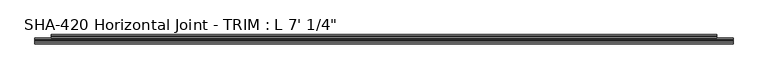
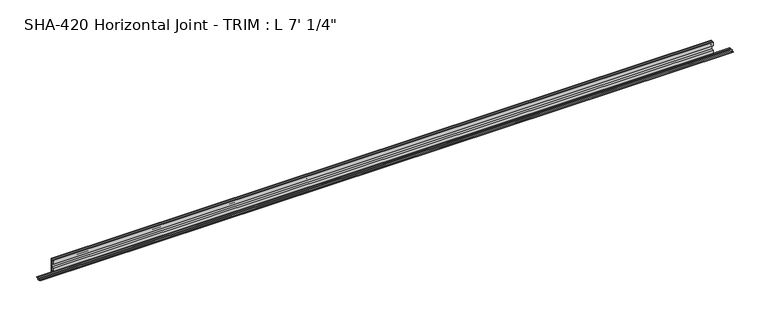
"""IFC4 building model written with IfcOpenShell, lengths in millimetres: proxy geometry."""

from ifc_helpers import new_model, si_unit, frame, origin, place, context, project, spatial, polyline, circle_curve, source, transform, mapped, element, save
from ifc_brep_helpers import plane_surface, cylinder_surface, revolved_surface, advanced_brep


def proxy_9ad8e046(model_context):
    return source(origin(), model_context, "Body", "AdvancedBrep", [
        advanced_brep(
        [(2139.95, 10.5664, -14.5120878), (2139.95, 6.2207723, -14.5120878), (2139.95, 3.0711723, -14.5120878), (2139.95, -1.1325276, -14.5120878), (2139.95, -4.2821276, -14.5120878), (2139.95, -8.4858276, -14.5120878), (2139.95, -8.4858276, -16.0868881), (2139.95, -4.2821276, -16.0868881), (2139.95, -1.1325276, -16.0868881), (2139.95, 3.0711723, -16.0868881), (2139.95, 6.2207723, -16.0868881), (2139.95, 10.5664, -16.0868881), (0.0, 10.5664, -16.0868881), (0.0, 6.2207723, -16.0868881), (0.0, 3.0711723, -16.0868881), (0.0, -1.1325276, -16.0868881), (0.0, -4.2821276, -16.0868881), (0.0, -8.4858276, -16.0868881), (0.0, -8.4858276, -14.5120878), (0.0, -4.2821276, -14.5120878), (0.0, -1.1325276, -14.5120878), (0.0, 3.0711723, -14.5120878), (0.0, 6.2207723, -14.5120878), (0.0, 10.5664, -14.5120878), (2089.15, 12.8855416, 21.9656491), (50.8, 12.8855416, 21.9656491), (50.8, 11.756868, 22.4248425), (50.8, 10.5641724, 21.8995653), (2089.15, 10.5641724, 21.8995653), (2089.15, 11.756868, 22.4248425), (50.8, 10.5641724, 9.8147622), (2089.15, 10.5641724, 9.8147622), (50.8, 17.2443724, 9.8147622), (2089.15, 17.2443724, 9.8147622), (50.8, 18.5143724, 8.5447622), (2089.15, 18.5143724, 8.5447622), (50.8, 18.5143724, -4.3266878), (2089.15, 18.5143724, -4.3266878), (50.8, 10.5664, -4.3266878), (2089.15, 10.5664, -4.3266878), (50.8, 10.5664, -14.5120878), (2089.15, 10.5664, -14.5120878), (50.8, 10.5641724, -16.0868881), (2089.15, 10.5664, -16.0868881), (50.8, 10.5664, -17.6616881), (2089.15, 10.5664, -17.6616881), (50.8, 12.8070246, -17.6616881), (2089.15, 12.8070246, -17.6616881), (50.8, 14.7028353, -6.590154), (2089.15, 14.7028353, -6.590154), (50.8, 16.9116736, -6.590154), (2089.15, 16.9116736, -6.590154), (50.8, 16.9116736, -22.4241878), (2089.15, 16.9116736, -22.4241878), (50.8, 20.0891724, -22.4241878), (2089.15, 20.0891724, -22.4241878), (50.8, 20.0891724, 22.4241878), (2089.15, 20.0891724, 22.4241878), (50.8, 16.9116736, 22.4241878), (2089.15, 16.9116736, 22.4241878), (50.8, 16.9116736, 11.3895622), (2089.15, 16.9116736, 11.3895622), (50.8, 14.6965154, 11.3895622), (2089.15, 14.6965154, 11.3895622)],
        [
            (0, 1),
            (1, 2, circle_curve(frame((2139.95, 4.6459723, -14.5120878), z_axis=(1.0, 0.0, 0.0), x_axis=(0.0, 1.0, 0.0)), 1.5748)),
            (2, 3),
            (3, 4, circle_curve(frame((2139.95, -2.7073276, -14.5120878), z_axis=(1.0, 0.0, 0.0), x_axis=(0.0, 1.0, 0.0)), 1.5748)),
            (4, 5),
            (5, 6),
            (6, 7),
            (7, 8, circle_curve(frame((2139.95, -2.7073276, -16.0868881), z_axis=(1.0, 0.0, 0.0), x_axis=(0.0, 1.0, 0.0)), 1.5748)),
            (8, 9),
            (9, 10, circle_curve(frame((2139.95, 4.6459723, -16.0868881), z_axis=(1.0, 0.0, 0.0), x_axis=(0.0, 1.0, 0.0)), 1.5748)),
            (10, 11),
            (11, 0),
            (12, 13),
            (13, 14, circle_curve(frame((0.0, 4.6459723, -16.0868881), z_axis=(-1.0, 0.0, 0.0), x_axis=(0.0, 1.0, 0.0)), 1.5748)),
            (14, 15),
            (15, 16, circle_curve(frame((0.0, -2.7073276, -16.0868881), z_axis=(-1.0, 0.0, 0.0), x_axis=(0.0, 1.0, 0.0)), 1.5748)),
            (16, 17),
            (17, 18),
            (18, 19),
            (19, 20, circle_curve(frame((0.0, -2.7073276, -14.5120878), z_axis=(-1.0, 0.0, 0.0), x_axis=(0.0, 1.0, 0.0)), 1.5748)),
            (20, 21),
            (21, 22, circle_curve(frame((0.0, 4.6459723, -14.5120878), z_axis=(-1.0, 0.0, 0.0), x_axis=(0.0, 1.0, 0.0)), 1.5748)),
            (22, 23),
            (23, 12),
            (24, 25),
            (25, 26, circle_curve(frame((50.8, 11.756868, 20.808135), z_axis=(1.0, 0.0, 0.0), x_axis=(0.0, 1.0, 0.0)), 1.6167075)),
            (26, 27, circle_curve(frame((50.8, 11.756868, 20.808135), z_axis=(1.0, 0.0, 0.0), x_axis=(0.0, 1.0, 0.0)), 1.6167075)),
            (27, 28),
            (28, 29, circle_curve(frame((2089.15, 11.756868, 20.808135), z_axis=(-1.0, 0.0, 0.0), x_axis=(0.0, 1.0, 0.0)), 1.6167075)),
            (29, 24, circle_curve(frame((2089.15, 11.756868, 20.808135), z_axis=(-1.0, 0.0, 0.0), x_axis=(0.0, 1.0, 0.0)), 1.6167075)),
            (27, 30),
            (30, 31),
            (31, 28),
            (30, 32),
            (32, 33),
            (33, 31),
            (32, 34, circle_curve(frame((50.8, 17.2443724, 8.5447622), z_axis=(-1.0, 0.0, 0.0), x_axis=(0.0, 1.0, 0.0)), 1.27)),
            (34, 35),
            (35, 33, circle_curve(frame((2089.15, 17.2443724, 8.5447622), z_axis=(1.0, 0.0, 0.0), x_axis=(0.0, 1.0, 0.0)), 1.27)),
            (34, 36),
            (36, 37),
            (37, 35),
            (36, 38),
            (38, 39),
            (39, 37),
            (38, 40),
            (40, 41),
            (41, 39),
            (0, 41),
            (40, 23),
            (22, 1),
            (10, 13),
            (12, 42),
            (42, 43),
            (43, 11),
            (42, 44),
            (44, 45),
            (45, 43),
            (44, 46),
            (46, 47),
            (47, 45),
            (46, 48),
            (48, 49),
            (49, 47),
            (48, 50),
            (50, 51),
            (51, 49),
            (50, 52),
            (52, 53),
            (53, 51),
            (52, 54),
            (54, 55),
            (55, 53),
            (54, 56),
            (56, 57),
            (57, 55),
            (56, 58),
            (58, 59),
            (59, 57),
            (58, 60),
            (60, 61),
            (61, 59),
            (60, 62),
            (62, 63),
            (63, 61),
            (24, 63),
            (62, 25),
            (43, 41),
            (40, 42),
            (21, 2),
            (20, 3),
            (19, 4),
            (18, 5),
            (17, 6),
            (16, 7),
            (15, 8),
            (14, 9),
        ],
        [
            plane_surface(frame((2139.95, 13.3735755, 20.808135), z_axis=(1.0, 0.0, 0.0), x_axis=(0.0, 0.0, 1.0))),
            plane_surface(frame((0.0, 13.3735755, 20.808135), z_axis=(-1.0, 0.0, 0.0), x_axis=(0.0, 0.0, -1.0))),
            cylinder_surface(frame((0.0, 11.756868, 20.808135), z_axis=(1.0, 0.0, 0.0), x_axis=(0.0, 1.0, 0.0)), 1.6167075),
            plane_surface(frame((2139.95, 10.5641724, 21.8995653), z_axis=(0.0, -1.0, 0.0), x_axis=(-1.0, 0.0, 0.0))),
            plane_surface(frame((2139.95, 10.5641724, 9.8147622), z_axis=(0.0, 0.0, -1.0), x_axis=(-1.0, 0.0, 0.0))),
            revolved_surface(polyline([(50.8, 18.5143724, 8.5447622), (2089.15, 18.5143724, 8.5447622)]), (0.0, 17.2443724, 8.5447622), (-1.0, 0.0, 0.0)),
            plane_surface(frame((2139.95, 18.5143724, 8.5447622), z_axis=(0.0, -1.0, 0.0), x_axis=(-1.0, 0.0, 0.0))),
            plane_surface(frame((2139.95, 18.5143724, -4.3266878), z_axis=(0.0, 0.0, 1.0), x_axis=(-1.0, 0.0, 0.0))),
            plane_surface(frame((2139.95, 10.5664, -4.3266878), z_axis=(0.0, -1.0, 0.0), x_axis=(-1.0, 0.0, 0.0))),
            plane_surface(frame((2139.95, 10.5664, -14.5120878), z_axis=(0.0, 6.550851548008525e-11, 1.0), x_axis=(-1.0, 0.0, 0.0))),
            plane_surface(frame((2139.95, 6.2207723, -16.0868881), z_axis=(0.0, 0.0, -1.0), x_axis=(-1.0, 0.0, 0.0))),
            plane_surface(frame((2139.95, 10.5664, -16.0868881), z_axis=(0.0, -1.0, 0.0), x_axis=(-1.0, 0.0, 0.0))),
            plane_surface(frame((2139.95, 10.5664, -17.6616881), z_axis=(0.0, -1.2686311474070984e-12, -1.0), x_axis=(-1.0, 0.0, 0.0))),
            plane_surface(frame((2139.95, 12.8070246, -17.6616881), z_axis=(0.0, 0.9856543593992835, -0.1687764314031673), x_axis=(-1.0, 0.0, 0.0))),
            plane_surface(frame((2139.95, 14.7028353, -6.590154), z_axis=(0.0, 0.0, -1.0), x_axis=(-1.0, 0.0, 0.0))),
            plane_surface(frame((2139.95, 16.9116736, -6.590154), z_axis=(0.0, -1.0, 0.0), x_axis=(-1.0, 0.0, 0.0))),
            plane_surface(frame((2139.95, 16.9116736, -22.4241878), z_axis=(0.0, 0.0, -1.0), x_axis=(-1.0, 0.0, 0.0))),
            plane_surface(frame((2139.95, 20.0891724, -22.4241878), z_axis=(0.0, 1.0, 0.0), x_axis=(-1.0, 0.0, 0.0))),
            plane_surface(frame((2139.95, 20.0891724, 22.4241878), z_axis=(0.0, 0.0, 1.0), x_axis=(-1.0, 0.0, 0.0))),
            plane_surface(frame((2139.95, 16.9116736, 22.4241878), z_axis=(0.0, -1.0, 0.0), x_axis=(-1.0, 0.0, 0.0))),
            plane_surface(frame((2139.95, 16.9116736, 11.3895622), z_axis=(0.0, 0.0, 1.0), x_axis=(-1.0, 0.0, 0.0))),
            plane_surface(frame((2139.95, 14.6965154, 11.3895622), z_axis=(0.0, 0.9856543593990678, 0.16877643140442766), x_axis=(-1.0, 0.0, 0.0))),
            plane_surface(frame((2089.15, 10.5641724, 22.4248425), z_axis=(0.0, 1.0, 0.0), x_axis=(0.0, 0.0, -1.0))),
            plane_surface(frame((2089.15, 10.5641724, 22.4248425), z_axis=(1.0, 0.0, 0.0), x_axis=(0.0, 1.0, 0.0))),
            plane_surface(frame((50.8, 10.5641724, -22.4241878), z_axis=(-1.0, 0.0, 0.0), x_axis=(0.0, 1.0, 0.0))),
            cylinder_surface(frame((0.0, 4.6459723, -14.5120878), z_axis=(1.0, 0.0, 0.0), x_axis=(0.0, 1.0, 0.0)), 1.5748),
            plane_surface(frame((2139.95, 3.0711723, -14.5120878), z_axis=(0.0, 6.693990801291056e-11, 1.0), x_axis=(-1.0, 0.0, 0.0))),
            cylinder_surface(frame((0.0, -2.7073276, -14.5120878), z_axis=(1.0, 0.0, 0.0), x_axis=(0.0, 1.0, 0.0)), 1.5748),
            plane_surface(frame((2139.95, -4.2821276, -14.5120878), z_axis=(0.0, 0.0, 1.0), x_axis=(-1.0, 0.0, 0.0))),
            plane_surface(frame((2139.95, -8.4858276, -14.5120878), z_axis=(0.0, -1.0, 0.0), x_axis=(-1.0, 0.0, 0.0))),
            plane_surface(frame((2139.95, -8.4858276, -16.0868881), z_axis=(0.0, 0.0, -1.0), x_axis=(-1.0, 0.0, 0.0))),
            cylinder_surface(frame((0.0, -2.7073276, -16.0868881), z_axis=(1.0, 0.0, 0.0), x_axis=(0.0, 1.0, 0.0)), 1.5748),
            plane_surface(frame((2139.95, -1.1325276, -16.0868881), z_axis=(0.0, 0.0, -1.0), x_axis=(-1.0, 0.0, 0.0))),
            cylinder_surface(frame((0.0, 4.6459723, -16.0868881), z_axis=(1.0, 0.0, 0.0), x_axis=(0.0, 1.0, 0.0)), 1.5748),
        ],
        [
            (0, [[1, 2, 3, 4, 5, 6, 7, 8, 9, 10, 11, 12]]),
            (1, [[13, 14, 15, 16, 17, 18, 19, 20, 21, 22, 23, 24]]),
            (2, [[25, 26, 27, 28, 29, 30]]),
            (3, [[-28, 31, 32, 33]]),
            (4, [[-32, 34, 35, 36]]),
            (5, [[-35, 37, 38, 39]]),
            (6, [[-38, 40, 41, 42]]),
            (7, [[-41, 43, 44, 45]]),
            (8, [[-44, 46, 47, 48]]),
            (9, [[-1, 49, -47, 50, -23, 51]]),
            (10, [[-11, 52, -13, 53, 54, 55]]),
            (11, [[-54, 56, 57, 58]]),
            (12, [[-57, 59, 60, 61]]),
            (13, [[-60, 62, 63, 64]]),
            (14, [[-63, 65, 66, 67]]),
            (15, [[-66, 68, 69, 70]]),
            (16, [[-69, 71, 72, 73]]),
            (17, [[-72, 74, 75, 76]]),
            (18, [[-75, 77, 78, 79]]),
            (19, [[-78, 80, 81, 82]]),
            (20, [[-81, 83, 84, 85]]),
            (21, [[-25, 86, -84, 87]]),
            (22, [[88, -49, -12, -55]]),
            (22, [[89, -53, -24, -50]]),
            (23, [[-88, -58, -61, -64, -67, -70, -73, -76, -79, -82, -85, -86, -30, -29, -33, -36, -39, -42, -45, -48]]),
            (24, [[-89, -46, -43, -40, -37, -34, -31, -27, -26, -87, -83, -80, -77, -74, -71, -68, -65, -62, -59, -56]]),
            (25, [[-2, -51, -22, 90]]),
            (26, [[-3, -90, -21, 91]]),
            (27, [[-4, -91, -20, 92]]),
            (28, [[-5, -92, -19, 93]]),
            (29, [[-6, -93, -18, 94]]),
            (30, [[-7, -94, -17, 95]]),
            (31, [[-8, -95, -16, 96]]),
            (32, [[-9, -96, -15, 97]]),
            (33, [[-10, -97, -14, -52]]),
        ],
    ),
    ])


if __name__ == "__main__":
    model = new_model("IFC4")
    model_context = context("Model", 3, world=origin())
    ifc_project = project(units=[si_unit("LENGTHUNIT", "METRE", prefix="MILLI")], contexts=[model_context])
    site = spatial("IfcSite", under=ifc_project)
    building = spatial("IfcBuilding", under=site)
    placement = place(None, origin())
    proxy_shape = proxy_9ad8e046(model_context)
    element("IfcBuildingElementProxy", 1, Name="SHA-420 Horizontal Joint - TRIM : L 7' 1/4\"", ObjectType="SHA-420 Horizontal Joint - TRIM : L 7' 1/4\"", at=placement, inside=building, context=model_context, shape_type="MappedRepresentation", body=[
        mapped(proxy_shape, transform((0.0, 0.0, 0.0), x_axis=(1.0, 0.0, 0.0), y_axis=(0.0, 1.0, 0.0), z_axis=(0.0, 0.0, 1.0))),
    ])
    save(model, "model.ifc")
